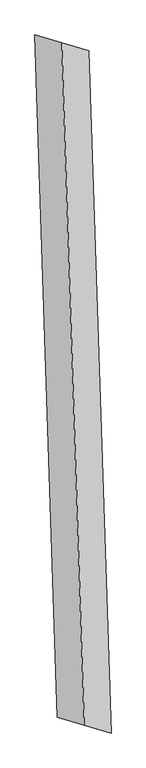
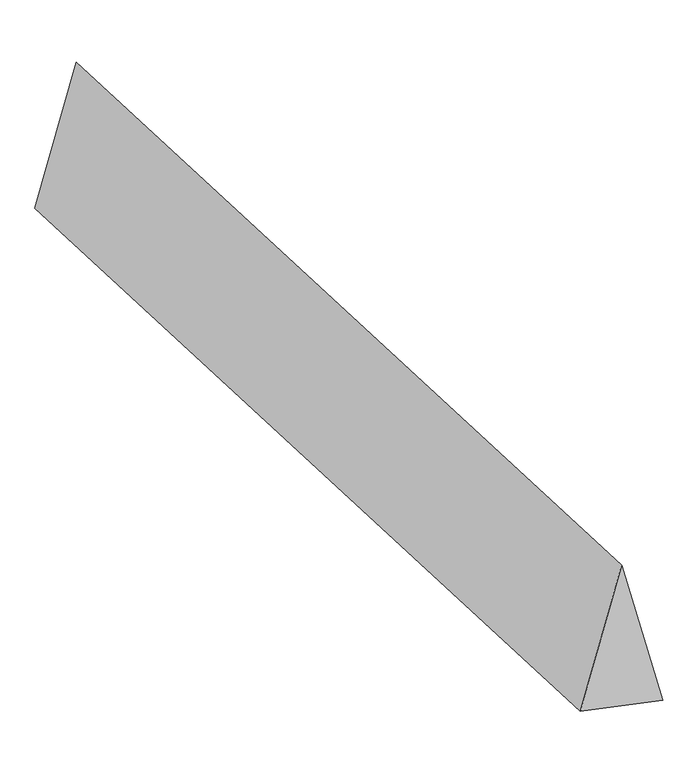
"""IFC4 building model written with IfcOpenShell, lengths in millimetres: proxy geometry."""

from ifc_helpers import new_model, si_unit, origin, place, context, project, spatial, faceted_brep, source, transform, mapped, element, save


def generic_models_2ed0638b(model_context):
    return source(origin(), model_context, "Body", "Brep", [
        faceted_brep([(69.4299143, -2105.859829, 700.0), (235.0869742, -2154.7724985, 0.0), (96.2271457, 2056.9471595, 0.0), (-69.4299143, 2105.859829, 700.0), (-96.2271457, -2056.9471595, 0.0), (-235.0869742, 2154.7724985, 0.0)], [[[0, 1, 2, 3]], [[1, 4, 5, 2]], [[4, 0, 3, 5]], [[3, 2, 5]], [[0, 4, 1]]]),
    ])


if __name__ == "__main__":
    model = new_model("IFC4")
    model_context = context("Model", 3, world=origin())
    ifc_project = project(units=[si_unit("LENGTHUNIT", "METRE", prefix="MILLI")], contexts=[model_context])
    site = spatial("IfcSite", under=ifc_project)
    building = spatial("IfcBuilding", under=site)
    placement = place(None, origin())
    generic_models_shape = generic_models_2ed0638b(model_context)
    element("IfcBuildingElementProxy", 1, Name="Generic Models", at=placement, inside=building, context=model_context, shape_type="MappedRepresentation", body=[
        mapped(generic_models_shape, transform((0.0, 0.0, 0.0), x_axis=(1.0, 0.0, 0.0), y_axis=(0.0, 1.0, 0.0), z_axis=(0.0, 0.0, 1.0))),
    ])
    save(model, "model.ifc")
